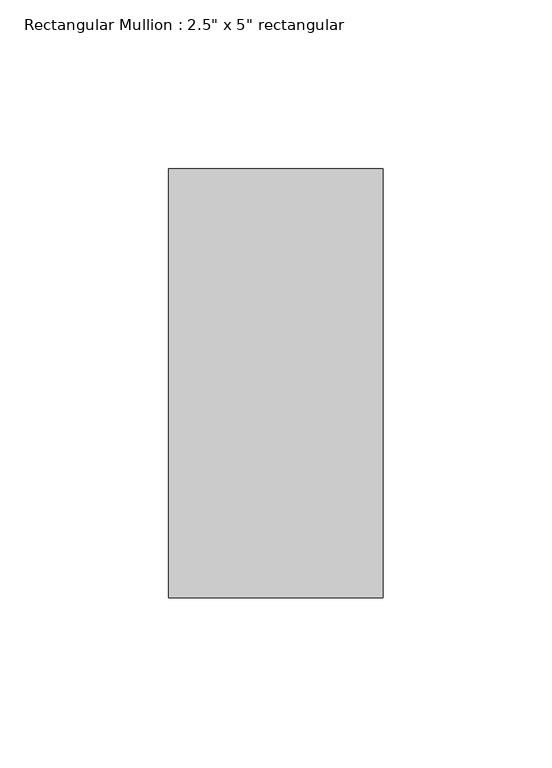
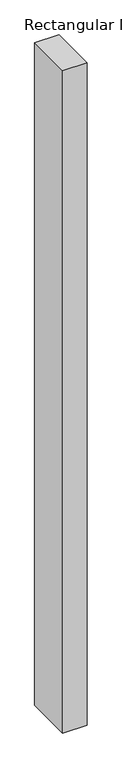
"""IFC4 building model written with IfcOpenShell, lengths in millimetres: member geometry."""

from ifc_helpers import new_model, si_unit, frame, origin, place, context, project, spatial, polyline, outline, extrude, source, transform, mapped, element, save


def member_d60e8053(model_context):
    return source(origin(), model_context, "Body", "SweptSolid", [
        extrude(outline(polyline([(31.75, 63.5), (31.75, -63.5), (-31.75, -63.5), (-31.75, 63.5), (31.75, 63.5)])), frame((0.0, 0.0, -1828.8), z_axis=(0.0, 0.0, 1.0), x_axis=(1.0, 0.0, 0.0)), (0.0, 0.0, 1.0), 1828.8),
    ])


if __name__ == "__main__":
    model = new_model("IFC4")
    model_context = context("Model", 3, world=origin())
    ifc_project = project(units=[si_unit("LENGTHUNIT", "METRE", prefix="MILLI")], contexts=[model_context])
    site = spatial("IfcSite", under=ifc_project)
    building = spatial("IfcBuilding", under=site)
    placement = place(None, origin())
    member_shape = member_d60e8053(model_context)
    element("IfcMember", 1, ObjectType="Rectangular Mullion : 2.5\" x 5\" rectangular", at=placement, inside=building, context=model_context, shape_type="MappedRepresentation", body=[
        mapped(member_shape, transform((0.0, 0.0, 0.0), x_axis=(1.0, 0.0, 0.0), y_axis=(0.0, 1.0, 0.0), z_axis=(0.0, 0.0, 1.0))),
    ])
    save(model, "model.ifc")
